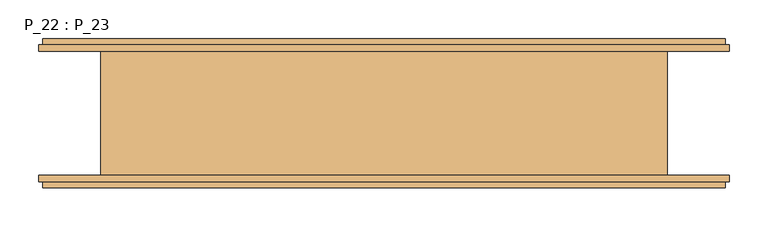
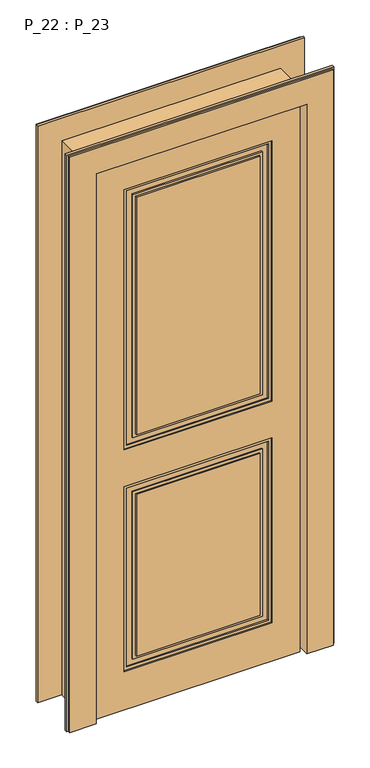
"""IFC4 building model written with IfcOpenShell, lengths in millimetres: door geometry, P_22 : P_23."""

import ifcopenshell
import ifcopenshell.guid

model = None  # the IFC model being written
_history = None  # IfcOwnerHistory: only IFC2X3 demands one
_inside = {}  # id of a spatial element -> (the spatial element, [elements in it])
_under = {}  # id of a project, library or spatial element -> (it, [spatial elements below it])
_declared = {}  # id of a project -> (the project, [libraries it declares])
_typed = {}  # id of a type object -> (the type object, [elements of that type])
_made_of = {}  # id of a material, layer set ... -> (it, [elements and type objects made of it])


def new_model(schema):
    """Start an empty IFC model of exactly this schema.

    Asked for "IFC4X3", IfcOpenShell would pick the latest addendum, in which some entities
    have other attributes; the version numbers below select the first issue.
    IFC2X3 requires an IfcOwnerHistory on every rooted entity: one is made here for all.
    """
    global model, _history
    if schema == "IFC4X3":
        model = ifcopenshell.file(schema_version=(4, 3, 0, 0))
    else:
        model = ifcopenshell.file(schema=schema)
    _inside.clear()
    _under.clear()
    _declared.clear()
    _typed.clear()
    _made_of.clear()
    _history = None
    if model.schema == "IFC2X3":
        org = make("IfcOrganization", Name="unknown")
        user = make(
            "IfcPersonAndOrganization",
            ThePerson=make("IfcPerson", FamilyName="unknown"),
            TheOrganization=org,
        )
        app = make(
            "IfcApplication",
            ApplicationDeveloper=org,
            Version="unknown",
            ApplicationFullName="unknown",
            ApplicationIdentifier="unknown",
        )
        _history = make(
            "IfcOwnerHistory",
            OwningUser=user,
            OwningApplication=app,
            ChangeAction="ADDED",
            CreationDate=0,
        )
    return model


def make(cls, **values):
    """One entity of the class cls with the attributes given. An attribute that is None is left unset."""
    return model.create_entity(
        cls, **{name: value for name, value in values.items() if value is not None}
    )


def rooted(cls, **values):
    """An entity with a GlobalId (a new one), such as an element, a storey or a relation."""
    return make(cls, GlobalId=ifcopenshell.guid.new(), OwnerHistory=_history, **values)


def si_unit(unit_type, name, prefix=None):
    """IfcSIUnit, for example si_unit("LENGTHUNIT", "METRE", prefix="MILLI")."""
    return make("IfcSIUnit", UnitType=unit_type, Prefix=prefix, Name=name)


def assignment(units):
    """IfcUnitAssignment: the units of a project."""
    return None if units is None else make("IfcUnitAssignment", Units=units)


def point(xyz):
    """IfcCartesianPoint."""
    return None if xyz is None else make("IfcCartesianPoint", Coordinates=xyz)


def direction(xyz):
    """IfcDirection."""
    return None if xyz is None else make("IfcDirection", DirectionRatios=xyz)


def frame(location, z_axis=None, x_axis=None):
    """IfcAxis2Placement3D, a coordinate frame: its origin and axes. An axis left out is left unset."""
    return make(
        "IfcAxis2Placement3D",
        Location=point(location),
        Axis=direction(z_axis),
        RefDirection=direction(x_axis),
    )


def origin():
    """The frame at (0, 0, 0) with its axes left unset."""
    return frame((0.0, 0.0, 0.0))


def origin_with_axes():
    """The frame at (0, 0, 0) with the z axis (0, 0, 1) and the x axis (1, 0, 0) written out."""
    return frame((0.0, 0.0, 0.0), z_axis=(0.0, 0.0, 1.0), x_axis=(1.0, 0.0, 0.0))


def place(relative_to, where):
    """IfcLocalPlacement: puts the frame where relative to a parent placement (None: the world)."""
    return make(
        "IfcLocalPlacement", PlacementRelTo=relative_to, RelativePlacement=where
    )


def context(
    kind, dimensions, precision=None, world=None, true_north=None, identifier=None
):
    """IfcGeometricRepresentationContext, for example the 3D "Model" context."""
    return make(
        "IfcGeometricRepresentationContext",
        ContextIdentifier=identifier,
        ContextType=kind,
        CoordinateSpaceDimension=dimensions,
        Precision=precision,
        WorldCoordinateSystem=world,
        TrueNorth=true_north,
    )


def project(units=None, contexts=None):
    """IfcProject with its units and contexts."""
    return rooted(
        "IfcProject",
        Name="project",
        RepresentationContexts=contexts,
        UnitsInContext=assignment(units),
    )


def spatial(cls, under=None, at=None, **own):
    """A site, building, storey or space (cls), placed at a placement, below another one or the project."""
    s = rooted(cls, ObjectPlacement=at, **own)
    if under is not None:
        _under.setdefault(under.id(), (under, []))[1].append(s)
    return s


def polyline(points):
    """IfcPolyline through the points."""
    return make("IfcPolyline", Points=[point(p) for p in points])


def outline(outer, holes=None, kind="AREA"):
    """IfcArbitraryClosedProfileDef: a profile drawn as a closed curve; with holes, ...WithVoids."""
    if holes is None:
        return make("IfcArbitraryClosedProfileDef", ProfileType=kind, OuterCurve=outer)
    return make(
        "IfcArbitraryProfileDefWithVoids",
        ProfileType=kind,
        OuterCurve=outer,
        InnerCurves=holes,
    )


def extrude(swept, where, along, depth):
    """IfcExtrudedAreaSolid: the profile swept, set in the frame where, extruded along a direction by depth."""
    return make(
        "IfcExtrudedAreaSolid",
        SweptArea=swept,
        Position=where,
        ExtrudedDirection=direction(along),
        Depth=depth,
    )


def faces_of(points, faces, orient=None, outer=None):
    """IfcFace entities. A face is a list of loops; a loop is a list of indices into points, from 0.

    orient and outer hold one flag for each loop. By default every Orientation is true, the
    first loop of a face is its IfcFaceOuterBound and the others are IfcFaceBound.
    """
    made = []
    for i, loops in enumerate(faces):
        bounds = []
        for j, loop in enumerate(loops):
            is_outer = j == 0 if outer is None else outer[i][j]
            bounds.append(
                make(
                    "IfcFaceOuterBound" if is_outer else "IfcFaceBound",
                    Bound=make("IfcPolyLoop", Polygon=[points[k] for k in loop]),
                    Orientation=True if orient is None else orient[i][j],
                )
            )
        made.append(make("IfcFace", Bounds=bounds))
    return made


def faceted_brep(points, faces, orient=None, outer=None, voids=None):
    """IfcFacetedBrep: a solid bounded by flat faces; with voids (closed shells), ...WithVoids."""
    shared = [point(p) for p in points]
    hull = make("IfcClosedShell", CfsFaces=faces_of(shared, faces, orient, outer))
    if voids is None:
        return make("IfcFacetedBrep", Outer=hull)
    return make(
        "IfcFacetedBrepWithVoids",
        Outer=hull,
        Voids=[
            make(cls, CfsFaces=faces_of(shared, fs, o, b)) for cls, fs, o, b in voids
        ],
    )


def shape(context_of_items, identifier, shape_type, items):
    """IfcShapeRepresentation: the items that make up one representation, for example the "Body"."""
    return make(
        "IfcShapeRepresentation",
        ContextOfItems=context_of_items,
        RepresentationIdentifier=identifier,
        RepresentationType=shape_type,
        Items=items,
    )


def source(mapping_origin, context_of_items, identifier, shape_type, items):
    """IfcRepresentationMap: a shape defined once, which mapped items show again and again."""
    return make(
        "IfcRepresentationMap",
        MappingOrigin=mapping_origin,
        MappedRepresentation=shape(context_of_items, identifier, shape_type, items),
    )


def transform(
    local_origin,
    x_axis=None,
    y_axis=None,
    z_axis=None,
    scale=None,
    scale2=None,
    scale3=None,
    uniform=True,
):
    """IfcCartesianTransformationOperator3D, or its non-uniform kind. x_axis, y_axis, z_axis: its Axis1, 2, 3."""
    if uniform:
        return make(
            "IfcCartesianTransformationOperator3D",
            Axis1=direction(x_axis),
            Axis2=direction(y_axis),
            LocalOrigin=point(local_origin),
            Scale=scale,
            Axis3=direction(z_axis),
        )
    return make(
        "IfcCartesianTransformationOperator3DnonUniform",
        Axis1=direction(x_axis),
        Axis2=direction(y_axis),
        LocalOrigin=point(local_origin),
        Scale=scale,
        Axis3=direction(z_axis),
        Scale2=scale2,
        Scale3=scale3,
    )


def mapped(mapping_source, mapping_target):
    """IfcMappedItem: shows the shape of a source again, moved by a transform."""
    return make(
        "IfcMappedItem", MappingSource=mapping_source, MappingTarget=mapping_target
    )


def made_of(thing, what):
    """Note that an element or type object is made of a material, layer set ...; save() writes the relation."""
    if what is not None:
        _made_of.setdefault(what.id(), (what, []))[1].append(thing)
    return thing


def element(
    cls,
    number,
    at=None,
    inside=None,
    cuts=None,
    type_object=None,
    material=None,
    context=None,
    identifier="Body",
    shape_type=None,
    held_by="IfcProductDefinitionShape",
    body=None,
    shapes=None,
    **own,
):
    """One element of the class cls, such as IfcWall. Its Tag is "e" and its number.

    at: its placement. inside: the storey or other place that contains it. cuts: it is an
    opening in that element (IfcRelVoidsElement). A single representation is given by context,
    identifier, shape_type and body (its items); several are given by shapes. held_by: the class
    of the entity that holds the representations. save() writes the other relations.
    """
    e = rooted(cls, Tag="e%d" % number, ObjectPlacement=at, **own)
    if body is not None:
        shapes = [shape(context, identifier, shape_type, body)]
    if shapes is not None:
        e.Representation = make(held_by, Representations=shapes)
    if inside is not None:
        _inside.setdefault(inside.id(), (inside, []))[1].append(e)
    if cuts is not None:
        rooted(
            "IfcRelVoidsElement", RelatingBuildingElement=cuts, RelatedOpeningElement=e
        )
    if type_object is not None:
        _typed.setdefault(type_object.id(), (type_object, []))[1].append(e)
    return made_of(e, material)


def aggregate(whole, parts):
    """IfcRelAggregates: a whole, such as a stair, and the parts it consists of."""
    return rooted("IfcRelAggregates", RelatingObject=whole, RelatedObjects=parts)


def save(model, path):
    """Write the relations noted so far, then the file.

    IfcRelAggregates (storeys below a building ...), IfcRelContainedInSpatialStructure (elements
    in a storey), IfcRelDefinesByType, IfcRelAssociatesMaterial and IfcRelDeclares: one each for
    every whole, place, type object, material and project.
    """
    for whole, parts in _under.values():
        aggregate(whole, parts)
    for where, things in _inside.values():
        rooted(
            "IfcRelContainedInSpatialStructure",
            RelatedElements=things,
            RelatingStructure=where,
        )
    for kind, things in _typed.values():
        rooted("IfcRelDefinesByType", RelatedObjects=things, RelatingType=kind)
    for what, things in _made_of.values():
        rooted("IfcRelAssociatesMaterial", RelatedObjects=things, RelatingMaterial=what)
    for by, libraries in _declared.values():
        rooted("IfcRelDeclares", RelatingContext=by, RelatedDefinitions=libraries)
    model.write(path)


def p_22_p_23_bb0b744a(model_context):
    return source(origin(), model_context, "Body", "SolidModel", [
        extrude(outline(polyline([(785.0, 246.0), (785.0, -246.0), (135.0, -246.0), (135.0, 246.0), (785.0, 246.0)]), holes=[polyline([(775.0, 236.0), (145.0, 236.0), (145.0, -236.0), (775.0, -236.0), (775.0, 236.0)])]), frame((0.0, -72.0, 0.0), z_axis=(0.0, 1.0, 0.0), x_axis=(0.0, 0.0, 1.0)), (0.0, 0.0, 1.0), 4.0),
        extrude(outline(polyline([(755.0, 216.0), (755.0, -216.0), (165.0, -216.0), (165.0, 216.0), (755.0, 216.0)]), holes=[polyline([(745.0, 206.0), (175.0, 206.0), (175.0, -206.0), (745.0, -206.0), (745.0, 206.0)])]), frame((0.0, -72.0, 0.0), z_axis=(0.0, 1.0, 0.0), x_axis=(0.0, 0.0, 1.0)), (0.0, 0.0, 1.0), 4.0),
        extrude(outline(polyline([(1831.0, 246.0), (1831.0, -246.0), (915.0, -246.0), (915.0, 246.0), (1831.0, 246.0)]), holes=[polyline([(1821.0, 236.0), (925.0, 236.0), (925.0, -236.0), (1821.0, -236.0), (1821.0, 236.0)])]), frame((0.0, -72.0, 0.0), z_axis=(0.0, 1.0, 0.0), x_axis=(0.0, 0.0, 1.0)), (0.0, 0.0, 1.0), 4.0),
        extrude(outline(polyline([(1801.0, 216.0), (1801.0, -216.0), (945.0, -216.0), (945.0, 216.0), (1801.0, 216.0)]), holes=[polyline([(1791.0, 206.0), (955.0, 206.0), (955.0, -206.0), (1791.0, -206.0), (1791.0, 206.0)])]), frame((0.0, -72.0, 0.0), z_axis=(0.0, 1.0, 0.0), x_axis=(0.0, 0.0, 1.0)), (0.0, 0.0, 1.0), 4.0),
        extrude(outline(polyline([(1925.0, 340.0), (1925.0, -340.0), (0.0, -340.0), (0.0, 340.0), (1925.0, 340.0)]), holes=[polyline([(1831.0, 246.0), (915.0, 246.0), (915.0, -246.0), (1831.0, -246.0), (1831.0, 246.0)]), polyline([(135.0, 246.0), (135.0, -246.0), (785.0, -246.0), (785.0, 246.0), (135.0, 246.0)])]), frame((0.0, -76.0, 0.0), z_axis=(0.0, 1.0, 0.0), x_axis=(0.0, 0.0, 1.0)), (0.0, 0.0, 1.0), 8.0),
        extrude(outline(polyline([(-206.0, -76.0), (-206.0, -68.0), (206.0, -68.0), (206.0, -76.0), (-206.0, -76.0)])), frame((0.0, 0.0, 175.0), z_axis=(0.0, 0.0, 1.0), x_axis=(1.0, 0.0, 0.0)), (0.0, 0.0, 1.0), 570.0),
        extrude(outline(polyline([(-206.0, -76.0), (-206.0, -68.0), (206.0, -68.0), (206.0, -76.0), (-206.0, -76.0)])), frame((0.0, 0.0, 955.0), z_axis=(0.0, 0.0, 1.0), x_axis=(1.0, 0.0, 0.0)), (0.0, 0.0, 1.0), 836.0),
        extrude(outline(polyline([(1831.0, 246.0), (1831.0, -246.0), (915.0, -246.0), (915.0, 246.0), (1831.0, 246.0)]), holes=[polyline([(1821.0, 236.0), (925.0, 236.0), (925.0, -236.0), (1821.0, -236.0), (1821.0, 236.0)])]), frame((0.0, -28.0, 0.0), z_axis=(0.0, 1.0, 0.0), x_axis=(0.0, 0.0, 1.0)), (0.0, 0.0, 1.0), 4.0),
        extrude(outline(polyline([(785.0, 246.0), (785.0, -246.0), (135.0, -246.0), (135.0, 246.0), (785.0, 246.0)]), holes=[polyline([(775.0, 236.0), (145.0, 236.0), (145.0, -236.0), (775.0, -236.0), (775.0, 236.0)])]), frame((0.0, -28.0, 0.0), z_axis=(0.0, 1.0, 0.0), x_axis=(0.0, 0.0, 1.0)), (0.0, 0.0, 1.0), 4.0),
        extrude(outline(polyline([(1801.0, 216.0), (1801.0, -216.0), (945.0, -216.0), (945.0, 216.0), (1801.0, 216.0)]), holes=[polyline([(1791.0, 206.0), (955.0, 206.0), (955.0, -206.0), (1791.0, -206.0), (1791.0, 206.0)])]), frame((0.0, -28.0, 0.0), z_axis=(0.0, 1.0, 0.0), x_axis=(0.0, 0.0, 1.0)), (0.0, 0.0, 1.0), 4.0),
        extrude(outline(polyline([(755.0, 216.0), (755.0, -216.0), (165.0, -216.0), (165.0, 216.0), (755.0, 216.0)]), holes=[polyline([(745.0, 206.0), (175.0, 206.0), (175.0, -206.0), (745.0, -206.0), (745.0, 206.0)])]), frame((0.0, -28.0, 0.0), z_axis=(0.0, 1.0, 0.0), x_axis=(0.0, 0.0, 1.0)), (0.0, 0.0, 1.0), 4.0),
        extrude(outline(polyline([(206.0, -20.0), (206.0, -28.0), (-206.0, -28.0), (-206.0, -20.0), (206.0, -20.0)])), frame((0.0, 0.0, 175.0), z_axis=(0.0, 0.0, 1.0), x_axis=(1.0, 0.0, 0.0)), (0.0, 0.0, 1.0), 570.0),
        extrude(outline(polyline([(1925.0, 340.0), (1925.0, -340.0), (0.0, -340.0), (0.0, 340.0), (1925.0, 340.0)]), holes=[polyline([(1831.0, 246.0), (915.0, 246.0), (915.0, -246.0), (1831.0, -246.0), (1831.0, 246.0)]), polyline([(135.0, 246.0), (135.0, -246.0), (785.0, -246.0), (785.0, 246.0), (135.0, 246.0)])]), frame((0.0, -28.0, 0.0), z_axis=(0.0, 1.0, 0.0), x_axis=(0.0, 0.0, 1.0)), (0.0, 0.0, 1.0), 8.0),
        extrude(outline(polyline([(206.0, -20.0), (206.0, -28.0), (-206.0, -28.0), (-206.0, -20.0), (206.0, -20.0)])), frame((0.0, 0.0, 955.0), z_axis=(0.0, 0.0, 1.0), x_axis=(1.0, 0.0, 0.0)), (0.0, 0.0, 1.0), 836.0),
        extrude(outline(polyline([(345.0, -28.0), (345.0, -38.0), (-345.0, -38.0), (-345.0, -28.0), (345.0, -28.0)])), origin_with_axes(), (0.0, 0.0, 1.0), 1930.0),
        faceted_brep([(445.0, -80.0, 0.0), (445.0, -88.0, 0.0), (440.0, -88.0, 0.0), (440.0, -96.0, 0.0), (351.0, -96.0, 0.0), (351.0, -28.0, 0.0), (341.0, -28.0, 0.0), (341.0, 88.0, 0.0), (351.0, 88.0, 0.0), (351.0, 96.0, 0.0), (440.0, 96.0, 0.0), (440.0, 88.0, 0.0), (445.0, 88.0, 0.0), (445.0, 80.0, 0.0), (365.0, 80.0, 0.0), (365.0, -80.0, 0.0), (365.0, -80.0, 1950.0), (-365.0, -80.0, 1950.0), (-365.0, -80.0, 0.0), (-445.0, -80.0, 0.0), (-445.0, -80.0, 2030.0), (445.0, -80.0, 2030.0), (365.0, 80.0, 1950.0), (445.0, 80.0, 2030.0), (-445.0, 80.0, 2030.0), (-445.0, 80.0, 0.0), (-365.0, 80.0, 0.0), (-365.0, 80.0, 1950.0), (445.0, 88.0, 2030.0), (440.0, 88.0, 2025.0), (-440.0, 88.0, 2025.0), (-440.0, 88.0, 0.0), (-445.0, 88.0, 0.0), (-445.0, 88.0, 2030.0), (440.0, 96.0, 2025.0), (351.0, 96.0, 1936.0), (-351.0, 96.0, 1936.0), (-351.0, 96.0, 0.0), (-440.0, 96.0, 0.0), (-440.0, 96.0, 2025.0), (351.0, 88.0, 1936.0), (341.0, 88.0, 1926.0), (-341.0, 88.0, 1926.0), (-341.0, 88.0, 0.0), (-351.0, 88.0, 0.0), (-351.0, 88.0, 1936.0), (341.0, -28.0, 1926.0), (351.0, -28.0, 1936.0), (-351.0, -28.0, 1936.0), (-351.0, -28.0, 0.0), (-341.0, -28.0, 0.0), (-341.0, -28.0, 1926.0), (351.0, -96.0, 1936.0), (440.0, -96.0, 2025.0), (-440.0, -96.0, 2025.0), (-440.0, -96.0, 0.0), (-351.0, -96.0, 0.0), (-351.0, -96.0, 1936.0), (440.0, -88.0, 2025.0), (445.0, -88.0, 2030.0), (-445.0, -88.0, 2030.0), (-445.0, -88.0, 0.0), (-440.0, -88.0, 0.0), (-440.0, -88.0, 2025.0)], [[[0, 1, 2, 3, 4, 5, 6, 7, 8, 9, 10, 11, 12, 13, 14, 15]], [[15, 16, 17, 18, 19, 20, 21, 0]], [[14, 22, 16, 15]], [[13, 23, 24, 25, 26, 27, 22, 14]], [[12, 28, 23, 13]], [[11, 29, 30, 31, 32, 33, 28, 12]], [[10, 34, 29, 11]], [[9, 35, 36, 37, 38, 39, 34, 10]], [[8, 40, 35, 9]], [[7, 41, 42, 43, 44, 45, 40, 8]], [[6, 46, 41, 7]], [[5, 47, 48, 49, 50, 51, 46, 6]], [[4, 52, 47, 5]], [[3, 53, 54, 55, 56, 57, 52, 4]], [[2, 58, 53, 3]], [[1, 59, 60, 61, 62, 63, 58, 2]], [[0, 21, 59, 1]], [[20, 19, 61, 60]], [[19, 18, 26, 25, 32, 31, 38, 37, 44, 43, 50, 49, 56, 55, 62, 61]], [[27, 26, 18, 17]], [[33, 32, 25, 24]], [[51, 50, 43, 42]], [[57, 56, 49, 48]], [[63, 62, 55, 54]], [[45, 44, 37, 36]], [[39, 38, 31, 30]], [[22, 27, 17, 16]], [[52, 57, 48, 47]], [[58, 63, 54, 53]], [[21, 20, 60, 59]], [[28, 33, 24, 23]], [[34, 39, 30, 29]], [[40, 45, 36, 35]], [[46, 51, 42, 41]]]),
    ])


if __name__ == "__main__":
    model = new_model("IFC4")
    model_context = context("Model", 3, world=origin())
    ifc_project = project(units=[si_unit("LENGTHUNIT", "METRE", prefix="MILLI")], contexts=[model_context])
    site = spatial("IfcSite", under=ifc_project)
    building = spatial("IfcBuilding", under=site)
    placement = place(None, origin())
    p_22_p_23_shape = p_22_p_23_bb0b744a(model_context)
    element("IfcDoor", 1, ObjectType="P_22 : P_23", at=placement, inside=building, context=model_context, shape_type="MappedRepresentation", body=[
        mapped(p_22_p_23_shape, transform((0.0, 0.0, 0.0), x_axis=(1.0, 0.0, 0.0), y_axis=(0.0, 1.0, 0.0), z_axis=(0.0, 0.0, 1.0))),
    ])
    save(model, "model.ifc")
